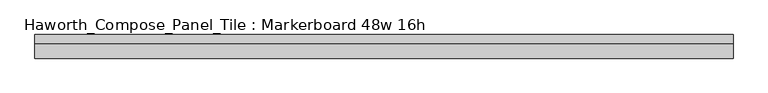
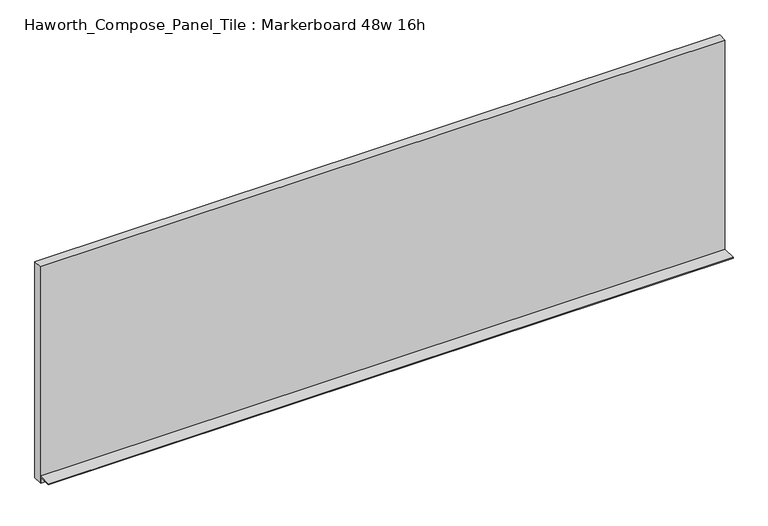
"""IFC4 building model written with IfcOpenShell, lengths in millimetres: furniture geometry, Haworth_Compose_Panel_Tile : Markerboard 48w 16h."""

import ifcopenshell
import ifcopenshell.guid

model = None  # the IFC model being written
_history = None  # IfcOwnerHistory: only IFC2X3 demands one
_inside = {}  # id of a spatial element -> (the spatial element, [elements in it])
_under = {}  # id of a project, library or spatial element -> (it, [spatial elements below it])
_declared = {}  # id of a project -> (the project, [libraries it declares])
_typed = {}  # id of a type object -> (the type object, [elements of that type])
_made_of = {}  # id of a material, layer set ... -> (it, [elements and type objects made of it])


def new_model(schema):
    """Start an empty IFC model of exactly this schema.

    Asked for "IFC4X3", IfcOpenShell would pick the latest addendum, in which some entities
    have other attributes; the version numbers below select the first issue.
    IFC2X3 requires an IfcOwnerHistory on every rooted entity: one is made here for all.
    """
    global model, _history
    if schema == "IFC4X3":
        model = ifcopenshell.file(schema_version=(4, 3, 0, 0))
    else:
        model = ifcopenshell.file(schema=schema)
    _inside.clear()
    _under.clear()
    _declared.clear()
    _typed.clear()
    _made_of.clear()
    _history = None
    if model.schema == "IFC2X3":
        org = make("IfcOrganization", Name="unknown")
        user = make(
            "IfcPersonAndOrganization",
            ThePerson=make("IfcPerson", FamilyName="unknown"),
            TheOrganization=org,
        )
        app = make(
            "IfcApplication",
            ApplicationDeveloper=org,
            Version="unknown",
            ApplicationFullName="unknown",
            ApplicationIdentifier="unknown",
        )
        _history = make(
            "IfcOwnerHistory",
            OwningUser=user,
            OwningApplication=app,
            ChangeAction="ADDED",
            CreationDate=0,
        )
    return model


def make(cls, **values):
    """One entity of the class cls with the attributes given. An attribute that is None is left unset."""
    return model.create_entity(
        cls, **{name: value for name, value in values.items() if value is not None}
    )


def rooted(cls, **values):
    """An entity with a GlobalId (a new one), such as an element, a storey or a relation."""
    return make(cls, GlobalId=ifcopenshell.guid.new(), OwnerHistory=_history, **values)


def si_unit(unit_type, name, prefix=None):
    """IfcSIUnit, for example si_unit("LENGTHUNIT", "METRE", prefix="MILLI")."""
    return make("IfcSIUnit", UnitType=unit_type, Prefix=prefix, Name=name)


def assignment(units):
    """IfcUnitAssignment: the units of a project."""
    return None if units is None else make("IfcUnitAssignment", Units=units)


def point(xyz):
    """IfcCartesianPoint."""
    return None if xyz is None else make("IfcCartesianPoint", Coordinates=xyz)


def direction(xyz):
    """IfcDirection."""
    return None if xyz is None else make("IfcDirection", DirectionRatios=xyz)


def frame(location, z_axis=None, x_axis=None):
    """IfcAxis2Placement3D, a coordinate frame: its origin and axes. An axis left out is left unset."""
    return make(
        "IfcAxis2Placement3D",
        Location=point(location),
        Axis=direction(z_axis),
        RefDirection=direction(x_axis),
    )


def origin():
    """The frame at (0, 0, 0) with its axes left unset."""
    return frame((0.0, 0.0, 0.0))


def place(relative_to, where):
    """IfcLocalPlacement: puts the frame where relative to a parent placement (None: the world)."""
    return make(
        "IfcLocalPlacement", PlacementRelTo=relative_to, RelativePlacement=where
    )


def context(
    kind, dimensions, precision=None, world=None, true_north=None, identifier=None
):
    """IfcGeometricRepresentationContext, for example the 3D "Model" context."""
    return make(
        "IfcGeometricRepresentationContext",
        ContextIdentifier=identifier,
        ContextType=kind,
        CoordinateSpaceDimension=dimensions,
        Precision=precision,
        WorldCoordinateSystem=world,
        TrueNorth=true_north,
    )


def project(units=None, contexts=None):
    """IfcProject with its units and contexts."""
    return rooted(
        "IfcProject",
        Name="project",
        RepresentationContexts=contexts,
        UnitsInContext=assignment(units),
    )


def spatial(cls, under=None, at=None, **own):
    """A site, building, storey or space (cls), placed at a placement, below another one or the project."""
    s = rooted(cls, ObjectPlacement=at, **own)
    if under is not None:
        _under.setdefault(under.id(), (under, []))[1].append(s)
    return s


def polyline(points):
    """IfcPolyline through the points."""
    return make("IfcPolyline", Points=[point(p) for p in points])


def outline(outer, holes=None, kind="AREA"):
    """IfcArbitraryClosedProfileDef: a profile drawn as a closed curve; with holes, ...WithVoids."""
    if holes is None:
        return make("IfcArbitraryClosedProfileDef", ProfileType=kind, OuterCurve=outer)
    return make(
        "IfcArbitraryProfileDefWithVoids",
        ProfileType=kind,
        OuterCurve=outer,
        InnerCurves=holes,
    )


def extrude(swept, where, along, depth):
    """IfcExtrudedAreaSolid: the profile swept, set in the frame where, extruded along a direction by depth."""
    return make(
        "IfcExtrudedAreaSolid",
        SweptArea=swept,
        Position=where,
        ExtrudedDirection=direction(along),
        Depth=depth,
    )


def shape(context_of_items, identifier, shape_type, items):
    """IfcShapeRepresentation: the items that make up one representation, for example the "Body"."""
    return make(
        "IfcShapeRepresentation",
        ContextOfItems=context_of_items,
        RepresentationIdentifier=identifier,
        RepresentationType=shape_type,
        Items=items,
    )


def source(mapping_origin, context_of_items, identifier, shape_type, items):
    """IfcRepresentationMap: a shape defined once, which mapped items show again and again."""
    return make(
        "IfcRepresentationMap",
        MappingOrigin=mapping_origin,
        MappedRepresentation=shape(context_of_items, identifier, shape_type, items),
    )


def transform(
    local_origin,
    x_axis=None,
    y_axis=None,
    z_axis=None,
    scale=None,
    scale2=None,
    scale3=None,
    uniform=True,
):
    """IfcCartesianTransformationOperator3D, or its non-uniform kind. x_axis, y_axis, z_axis: its Axis1, 2, 3."""
    if uniform:
        return make(
            "IfcCartesianTransformationOperator3D",
            Axis1=direction(x_axis),
            Axis2=direction(y_axis),
            LocalOrigin=point(local_origin),
            Scale=scale,
            Axis3=direction(z_axis),
        )
    return make(
        "IfcCartesianTransformationOperator3DnonUniform",
        Axis1=direction(x_axis),
        Axis2=direction(y_axis),
        LocalOrigin=point(local_origin),
        Scale=scale,
        Axis3=direction(z_axis),
        Scale2=scale2,
        Scale3=scale3,
    )


def mapped(mapping_source, mapping_target):
    """IfcMappedItem: shows the shape of a source again, moved by a transform."""
    return make(
        "IfcMappedItem", MappingSource=mapping_source, MappingTarget=mapping_target
    )


def made_of(thing, what):
    """Note that an element or type object is made of a material, layer set ...; save() writes the relation."""
    if what is not None:
        _made_of.setdefault(what.id(), (what, []))[1].append(thing)
    return thing


def element(
    cls,
    number,
    at=None,
    inside=None,
    cuts=None,
    type_object=None,
    material=None,
    context=None,
    identifier="Body",
    shape_type=None,
    held_by="IfcProductDefinitionShape",
    body=None,
    shapes=None,
    **own,
):
    """One element of the class cls, such as IfcWall. Its Tag is "e" and its number.

    at: its placement. inside: the storey or other place that contains it. cuts: it is an
    opening in that element (IfcRelVoidsElement). A single representation is given by context,
    identifier, shape_type and body (its items); several are given by shapes. held_by: the class
    of the entity that holds the representations. save() writes the other relations.
    """
    e = rooted(cls, Tag="e%d" % number, ObjectPlacement=at, **own)
    if body is not None:
        shapes = [shape(context, identifier, shape_type, body)]
    if shapes is not None:
        e.Representation = make(held_by, Representations=shapes)
    if inside is not None:
        _inside.setdefault(inside.id(), (inside, []))[1].append(e)
    if cuts is not None:
        rooted(
            "IfcRelVoidsElement", RelatingBuildingElement=cuts, RelatedOpeningElement=e
        )
    if type_object is not None:
        _typed.setdefault(type_object.id(), (type_object, []))[1].append(e)
    return made_of(e, material)


def aggregate(whole, parts):
    """IfcRelAggregates: a whole, such as a stair, and the parts it consists of."""
    return rooted("IfcRelAggregates", RelatingObject=whole, RelatedObjects=parts)


def save(model, path):
    """Write the relations noted so far, then the file.

    IfcRelAggregates (storeys below a building ...), IfcRelContainedInSpatialStructure (elements
    in a storey), IfcRelDefinesByType, IfcRelAssociatesMaterial and IfcRelDeclares: one each for
    every whole, place, type object, material and project.
    """
    for whole, parts in _under.values():
        aggregate(whole, parts)
    for where, things in _inside.values():
        rooted(
            "IfcRelContainedInSpatialStructure",
            RelatedElements=things,
            RelatingStructure=where,
        )
    for kind, things in _typed.values():
        rooted("IfcRelDefinesByType", RelatedObjects=things, RelatingType=kind)
    for what, things in _made_of.values():
        rooted("IfcRelAssociatesMaterial", RelatedObjects=things, RelatingMaterial=what)
    for by, libraries in _declared.values():
        rooted("IfcRelDeclares", RelatingContext=by, RelatedDefinitions=libraries)
    model.write(path)


def haworth_compose_panel_tile_markerboard_48w_16h_e18d76ee(model_context):
    return source(origin(), model_context, "Body", "SweptSolid", [
        extrude(outline(polyline([(612.0402902, -28.8968594), (-607.1597098, -28.8968594), (-607.1597098, -13.0218594), (612.0402902, -13.0218594), (612.0402902, -28.8968594)])), frame((0.0, 0.0, 1066.8), z_axis=(0.0, 0.0, 1.0), x_axis=(1.0, 0.0, 0.0)), (0.0, 0.0, 1.0), 406.4),
        extrude(outline(polyline([(-28.8968594, 1079.5), (-28.8968594, 1066.8), (-30.4843594, 1066.8), (-30.4843594, 1077.9125), (-54.2968594, 1077.9125), (-54.2968594, 1079.5), (-28.8968594, 1079.5)])), frame((-607.1597098, 0.0, 0.0), z_axis=(1.0, 0.0, 0.0), x_axis=(0.0, 1.0, 0.0)), (0.0, 0.0, 1.0), 1219.2),
    ])


if __name__ == "__main__":
    model = new_model("IFC4")
    model_context = context("Model", 3, world=origin())
    ifc_project = project(units=[si_unit("LENGTHUNIT", "METRE", prefix="MILLI")], contexts=[model_context])
    site = spatial("IfcSite", under=ifc_project)
    building = spatial("IfcBuilding", under=site)
    placement = place(None, origin())
    haworth_compose_panel_tile_markerboard_48w_16h_shape = haworth_compose_panel_tile_markerboard_48w_16h_e18d76ee(model_context)
    element("IfcFurniture", 1, ObjectType="Haworth_Compose_Panel_Tile : Markerboard 48w 16h", at=placement, inside=building, context=model_context, shape_type="MappedRepresentation", body=[
        mapped(haworth_compose_panel_tile_markerboard_48w_16h_shape, transform((0.0, 0.0, 0.0), x_axis=(1.0, 0.0, 0.0), y_axis=(0.0, 1.0, 0.0), z_axis=(0.0, 0.0, 1.0))),
    ])
    save(model, "model.ifc")
